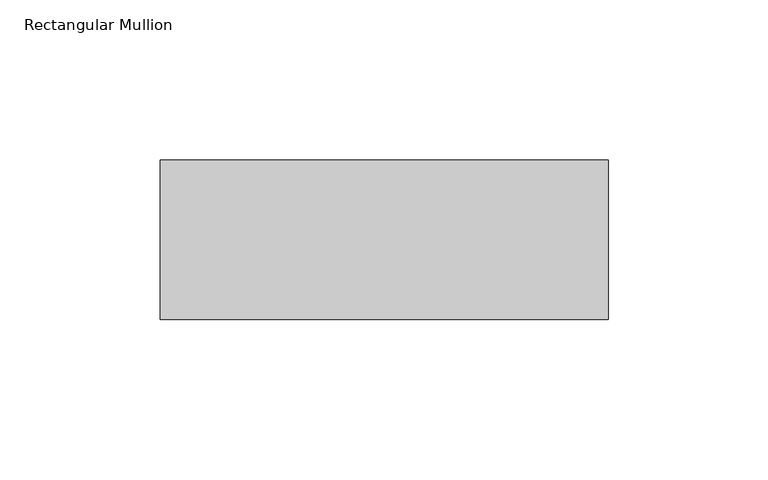
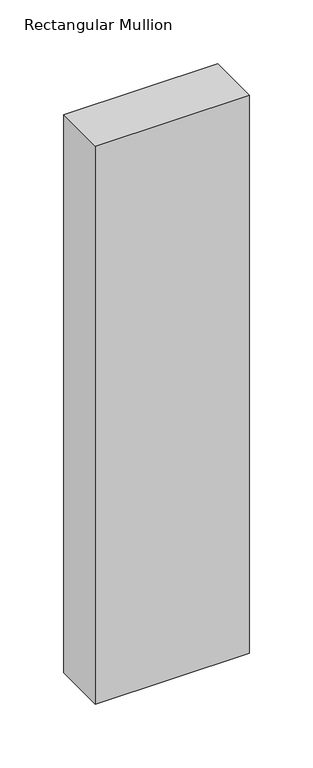
"""IFC4 building model written with IfcOpenShell, lengths in millimetres: member geometry, Rectangular Mullion."""

from ifc_helpers import new_model, si_unit, frame, origin, place, context, project, spatial, polyline, outline, extrude, source, transform, mapped, element, save


def rectangular_mullion_4f52233f(model_context):
    return source(origin(), model_context, "Body", "SweptSolid", [
        extrude(outline(polyline([(0.0, 59.0), (0.0, 9.0), (-140.0, 9.0), (-140.0, 59.0), (0.0, 59.0)])), frame((0.0, 0.0, -536.2499998), z_axis=(0.0, 0.0, 1.0), x_axis=(1.0, 0.0, 0.0)), (0.0, 0.0, 1.0), 536.2499998),
    ])


if __name__ == "__main__":
    model = new_model("IFC4")
    model_context = context("Model", 3, world=origin())
    ifc_project = project(units=[si_unit("LENGTHUNIT", "METRE", prefix="MILLI")], contexts=[model_context])
    site = spatial("IfcSite", under=ifc_project)
    building = spatial("IfcBuilding", under=site)
    placement = place(None, origin())
    rectangular_mullion_shape = rectangular_mullion_4f52233f(model_context)
    element("IfcMember", 1, ObjectType="Rectangular Mullion", at=placement, inside=building, context=model_context, shape_type="MappedRepresentation", body=[
        mapped(rectangular_mullion_shape, transform((0.0, 0.0, 0.0), x_axis=(1.0, 0.0, 0.0), y_axis=(0.0, 1.0, 0.0), z_axis=(0.0, 0.0, 1.0))),
    ])
    save(model, "model.ifc")
